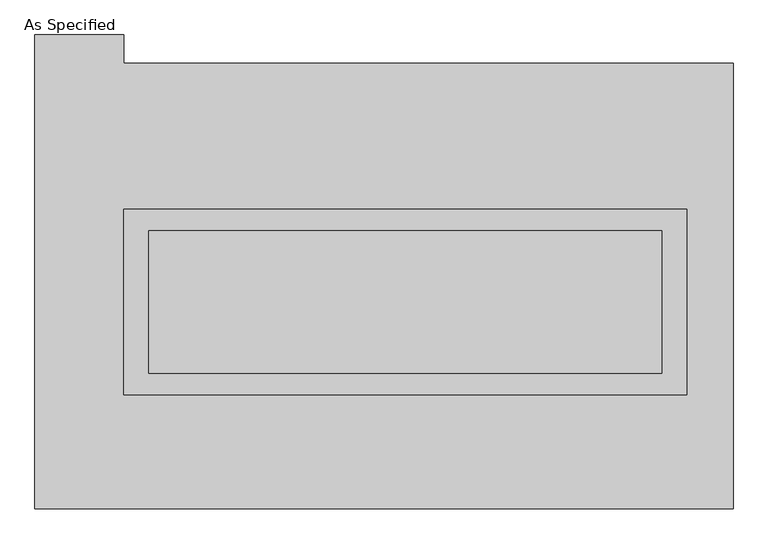
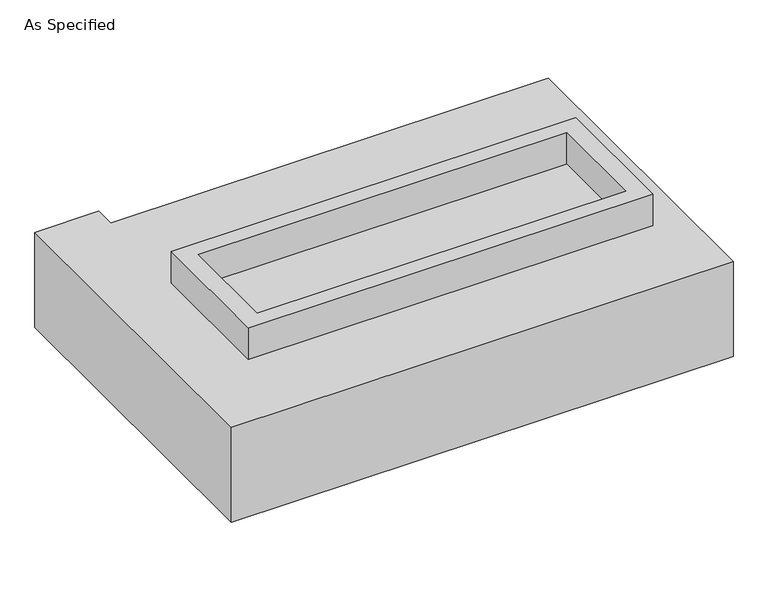
"""IFC4 building model written with IfcOpenShell, lengths in millimetres: proxy geometry, As Specified."""

import ifcopenshell
import ifcopenshell.guid

model = None  # the IFC model being written
_history = None  # IfcOwnerHistory: only IFC2X3 demands one
_inside = {}  # id of a spatial element -> (the spatial element, [elements in it])
_under = {}  # id of a project, library or spatial element -> (it, [spatial elements below it])
_declared = {}  # id of a project -> (the project, [libraries it declares])
_typed = {}  # id of a type object -> (the type object, [elements of that type])
_made_of = {}  # id of a material, layer set ... -> (it, [elements and type objects made of it])


def new_model(schema):
    """Start an empty IFC model of exactly this schema.

    Asked for "IFC4X3", IfcOpenShell would pick the latest addendum, in which some entities
    have other attributes; the version numbers below select the first issue.
    IFC2X3 requires an IfcOwnerHistory on every rooted entity: one is made here for all.
    """
    global model, _history
    if schema == "IFC4X3":
        model = ifcopenshell.file(schema_version=(4, 3, 0, 0))
    else:
        model = ifcopenshell.file(schema=schema)
    _inside.clear()
    _under.clear()
    _declared.clear()
    _typed.clear()
    _made_of.clear()
    _history = None
    if model.schema == "IFC2X3":
        org = make("IfcOrganization", Name="unknown")
        user = make(
            "IfcPersonAndOrganization",
            ThePerson=make("IfcPerson", FamilyName="unknown"),
            TheOrganization=org,
        )
        app = make(
            "IfcApplication",
            ApplicationDeveloper=org,
            Version="unknown",
            ApplicationFullName="unknown",
            ApplicationIdentifier="unknown",
        )
        _history = make(
            "IfcOwnerHistory",
            OwningUser=user,
            OwningApplication=app,
            ChangeAction="ADDED",
            CreationDate=0,
        )
    return model


def make(cls, **values):
    """One entity of the class cls with the attributes given. An attribute that is None is left unset."""
    return model.create_entity(
        cls, **{name: value for name, value in values.items() if value is not None}
    )


def rooted(cls, **values):
    """An entity with a GlobalId (a new one), such as an element, a storey or a relation."""
    return make(cls, GlobalId=ifcopenshell.guid.new(), OwnerHistory=_history, **values)


def si_unit(unit_type, name, prefix=None):
    """IfcSIUnit, for example si_unit("LENGTHUNIT", "METRE", prefix="MILLI")."""
    return make("IfcSIUnit", UnitType=unit_type, Prefix=prefix, Name=name)


def assignment(units):
    """IfcUnitAssignment: the units of a project."""
    return None if units is None else make("IfcUnitAssignment", Units=units)


def point(xyz):
    """IfcCartesianPoint."""
    return None if xyz is None else make("IfcCartesianPoint", Coordinates=xyz)


def direction(xyz):
    """IfcDirection."""
    return None if xyz is None else make("IfcDirection", DirectionRatios=xyz)


def frame(location, z_axis=None, x_axis=None):
    """IfcAxis2Placement3D, a coordinate frame: its origin and axes. An axis left out is left unset."""
    return make(
        "IfcAxis2Placement3D",
        Location=point(location),
        Axis=direction(z_axis),
        RefDirection=direction(x_axis),
    )


def origin():
    """The frame at (0, 0, 0) with its axes left unset."""
    return frame((0.0, 0.0, 0.0))


def place(relative_to, where):
    """IfcLocalPlacement: puts the frame where relative to a parent placement (None: the world)."""
    return make(
        "IfcLocalPlacement", PlacementRelTo=relative_to, RelativePlacement=where
    )


def context(
    kind, dimensions, precision=None, world=None, true_north=None, identifier=None
):
    """IfcGeometricRepresentationContext, for example the 3D "Model" context."""
    return make(
        "IfcGeometricRepresentationContext",
        ContextIdentifier=identifier,
        ContextType=kind,
        CoordinateSpaceDimension=dimensions,
        Precision=precision,
        WorldCoordinateSystem=world,
        TrueNorth=true_north,
    )


def project(units=None, contexts=None):
    """IfcProject with its units and contexts."""
    return rooted(
        "IfcProject",
        Name="project",
        RepresentationContexts=contexts,
        UnitsInContext=assignment(units),
    )


def spatial(cls, under=None, at=None, **own):
    """A site, building, storey or space (cls), placed at a placement, below another one or the project."""
    s = rooted(cls, ObjectPlacement=at, **own)
    if under is not None:
        _under.setdefault(under.id(), (under, []))[1].append(s)
    return s


def polyline(points):
    """IfcPolyline through the points."""
    return make("IfcPolyline", Points=[point(p) for p in points])


def outline(outer, holes=None, kind="AREA"):
    """IfcArbitraryClosedProfileDef: a profile drawn as a closed curve; with holes, ...WithVoids."""
    if holes is None:
        return make("IfcArbitraryClosedProfileDef", ProfileType=kind, OuterCurve=outer)
    return make(
        "IfcArbitraryProfileDefWithVoids",
        ProfileType=kind,
        OuterCurve=outer,
        InnerCurves=holes,
    )


def extrude(swept, where, along, depth):
    """IfcExtrudedAreaSolid: the profile swept, set in the frame where, extruded along a direction by depth."""
    return make(
        "IfcExtrudedAreaSolid",
        SweptArea=swept,
        Position=where,
        ExtrudedDirection=direction(along),
        Depth=depth,
    )


def shape(context_of_items, identifier, shape_type, items):
    """IfcShapeRepresentation: the items that make up one representation, for example the "Body"."""
    return make(
        "IfcShapeRepresentation",
        ContextOfItems=context_of_items,
        RepresentationIdentifier=identifier,
        RepresentationType=shape_type,
        Items=items,
    )


def source(mapping_origin, context_of_items, identifier, shape_type, items):
    """IfcRepresentationMap: a shape defined once, which mapped items show again and again."""
    return make(
        "IfcRepresentationMap",
        MappingOrigin=mapping_origin,
        MappedRepresentation=shape(context_of_items, identifier, shape_type, items),
    )


def transform(
    local_origin,
    x_axis=None,
    y_axis=None,
    z_axis=None,
    scale=None,
    scale2=None,
    scale3=None,
    uniform=True,
):
    """IfcCartesianTransformationOperator3D, or its non-uniform kind. x_axis, y_axis, z_axis: its Axis1, 2, 3."""
    if uniform:
        return make(
            "IfcCartesianTransformationOperator3D",
            Axis1=direction(x_axis),
            Axis2=direction(y_axis),
            LocalOrigin=point(local_origin),
            Scale=scale,
            Axis3=direction(z_axis),
        )
    return make(
        "IfcCartesianTransformationOperator3DnonUniform",
        Axis1=direction(x_axis),
        Axis2=direction(y_axis),
        LocalOrigin=point(local_origin),
        Scale=scale,
        Axis3=direction(z_axis),
        Scale2=scale2,
        Scale3=scale3,
    )


def mapped(mapping_source, mapping_target):
    """IfcMappedItem: shows the shape of a source again, moved by a transform."""
    return make(
        "IfcMappedItem", MappingSource=mapping_source, MappingTarget=mapping_target
    )


def made_of(thing, what):
    """Note that an element or type object is made of a material, layer set ...; save() writes the relation."""
    if what is not None:
        _made_of.setdefault(what.id(), (what, []))[1].append(thing)
    return thing


def element(
    cls,
    number,
    at=None,
    inside=None,
    cuts=None,
    type_object=None,
    material=None,
    context=None,
    identifier="Body",
    shape_type=None,
    held_by="IfcProductDefinitionShape",
    body=None,
    shapes=None,
    **own,
):
    """One element of the class cls, such as IfcWall. Its Tag is "e" and its number.

    at: its placement. inside: the storey or other place that contains it. cuts: it is an
    opening in that element (IfcRelVoidsElement). A single representation is given by context,
    identifier, shape_type and body (its items); several are given by shapes. held_by: the class
    of the entity that holds the representations. save() writes the other relations.
    """
    e = rooted(cls, Tag="e%d" % number, ObjectPlacement=at, **own)
    if body is not None:
        shapes = [shape(context, identifier, shape_type, body)]
    if shapes is not None:
        e.Representation = make(held_by, Representations=shapes)
    if inside is not None:
        _inside.setdefault(inside.id(), (inside, []))[1].append(e)
    if cuts is not None:
        rooted(
            "IfcRelVoidsElement", RelatingBuildingElement=cuts, RelatedOpeningElement=e
        )
    if type_object is not None:
        _typed.setdefault(type_object.id(), (type_object, []))[1].append(e)
    return made_of(e, material)


def aggregate(whole, parts):
    """IfcRelAggregates: a whole, such as a stair, and the parts it consists of."""
    return rooted("IfcRelAggregates", RelatingObject=whole, RelatedObjects=parts)


def save(model, path):
    """Write the relations noted so far, then the file.

    IfcRelAggregates (storeys below a building ...), IfcRelContainedInSpatialStructure (elements
    in a storey), IfcRelDefinesByType, IfcRelAssociatesMaterial and IfcRelDeclares: one each for
    every whole, place, type object, material and project.
    """
    for whole, parts in _under.values():
        aggregate(whole, parts)
    for where, things in _inside.values():
        rooted(
            "IfcRelContainedInSpatialStructure",
            RelatedElements=things,
            RelatingStructure=where,
        )
    for kind, things in _typed.values():
        rooted("IfcRelDefinesByType", RelatedObjects=things, RelatingType=kind)
    for what, things in _made_of.values():
        rooted("IfcRelAssociatesMaterial", RelatedObjects=things, RelatingMaterial=what)
    for by, libraries in _declared.values():
        rooted("IfcRelDeclares", RelatingContext=by, RelatedDefinitions=libraries)
    model.write(path)


def as_specified_067487fb(model_context):
    return source(origin(), model_context, "Body", "SweptSolid", [
        extrude(outline(polyline([(1003.3, 273.05), (1003.3, -387.35), (-1003.3, -387.35), (-1003.3, 273.05), (1003.3, 273.05)]), holes=[polyline([(914.4, 196.85), (-914.4, 196.85), (-914.4, -311.15), (914.4, -311.15), (914.4, 196.85)])]), frame((0.0, 0.0, -688.975), z_axis=(0.0, 0.0, 1.0), x_axis=(1.0, 0.0, 0.0)), (0.0, 0.0, 1.0), 165.1),
        extrude(outline(polyline([(1003.3, 273.05), (1003.3, -387.35), (-1003.3, -387.35), (-1003.3, 273.05), (1003.3, 273.05)]), holes=[polyline([(914.4, 196.85), (-914.4, 196.85), (-914.4, -311.15), (914.4, -311.15), (914.4, 196.85)])]), frame((0.0, 0.0, -25.4), z_axis=(0.0, 0.0, 1.0), x_axis=(1.0, 0.0, 0.0)), (0.0, 0.0, 1.0), 165.1),
        extrude(outline(polyline([(914.4, 196.85), (914.4, -311.15), (-914.4, -311.15), (-914.4, 196.85), (914.4, 196.85)])), frame((0.0, 0.0, -523.875), z_axis=(0.0, 0.0, 1.0), x_axis=(1.0, 0.0, 0.0)), (0.0, 0.0, 1.0), 4.9609375),
        extrude(outline(polyline([(914.4, 196.85), (914.4, -311.15), (-914.4, -311.15), (-914.4, 196.85), (914.4, 196.85)])), frame((0.0, 0.0, -30.3609375), z_axis=(0.0, 0.0, 1.0), x_axis=(1.0, 0.0, 0.0)), (0.0, 0.0, 1.0), 4.9609375),
        extrude(outline(polyline([(1168.4, -793.75), (-1320.8, -793.75), (-1320.8, 895.35), (-1003.3, 895.35), (-1003.3, 793.75), (1168.4, 793.75), (1168.4, -793.75)]), holes=[polyline([(-1003.3, 273.05), (-1003.3, -387.35), (1003.3, -387.35), (1003.3, 273.05), (-1003.3, 273.05)])]), frame((0.0, 0.0, -523.875), z_axis=(0.0, 0.0, 1.0), x_axis=(1.0, 0.0, 0.0)), (0.0, 0.0, 1.0), 498.475),
    ])


if __name__ == "__main__":
    model = new_model("IFC4")
    model_context = context("Model", 3, world=origin())
    ifc_project = project(units=[si_unit("LENGTHUNIT", "METRE", prefix="MILLI")], contexts=[model_context])
    site = spatial("IfcSite", under=ifc_project)
    building = spatial("IfcBuilding", under=site)
    placement = place(None, origin())
    as_specified_shape = as_specified_067487fb(model_context)
    element("IfcBuildingElementProxy", 1, Name="As Specified", ObjectType="As Specified", at=placement, inside=building, context=model_context, shape_type="MappedRepresentation", body=[
        mapped(as_specified_shape, transform((0.0, 0.0, 0.0), x_axis=(1.0, 0.0, 0.0), y_axis=(0.0, 1.0, 0.0), z_axis=(0.0, 0.0, 1.0))),
    ])
    save(model, "model.ifc")
